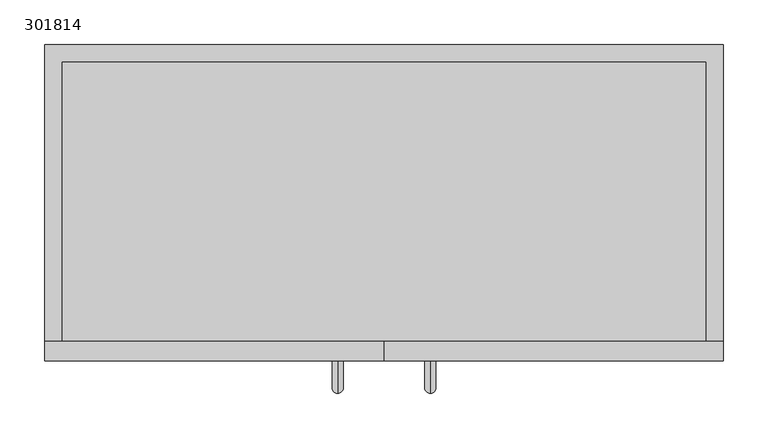
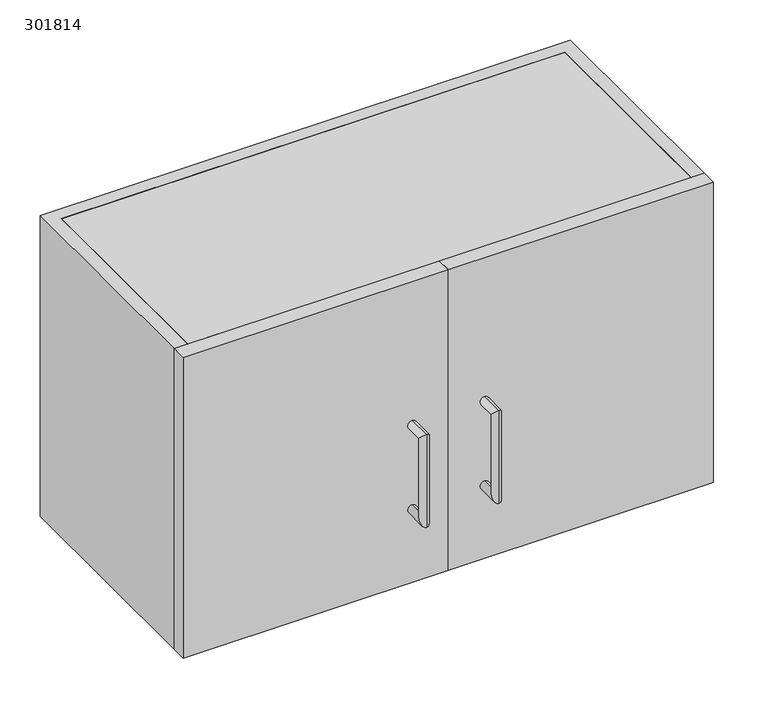
"""IFC4 building model written with IfcOpenShell, lengths in millimetres: furniture geometry, 301814."""

from ifc_helpers import new_model, si_unit, frame, origin, place, context, project, spatial, polyline, circle_curve, ellipse_curve, outline, extrude, source, transform, mapped, element, save
from ifc_brep_helpers import plane_surface, cylinder_surface, advanced_brep


def furniture_301814_840138c3(model_context):
    return source(origin(), model_context, "Body", "SolidModel", [
        extrude(outline(polyline([(381.0, -397.1), (381.0, -419.1), (0.0, -419.1), (0.0, -397.1), (381.0, -397.1)])), frame((0.0, 0.0, 1676.4), z_axis=(0.0, 0.0, 1.0), x_axis=(1.0, 0.0, 0.0)), (0.0, 0.0, 1.0), 457.2),
        extrude(outline(polyline([(0.0, -397.1), (0.0, -419.1), (-381.0, -419.1), (-381.0, -397.1), (0.0, -397.1)])), frame((0.0, 0.0, 1676.4), z_axis=(0.0, 0.0, 1.0), x_axis=(1.0, 0.0, 0.0)), (0.0, 0.0, 1.0), 457.2),
        extrude(outline(polyline([(361.8, -397.1), (361.8, -82.7), (-361.8, -82.7), (-361.8, -397.1), (-381.0, -397.1), (-381.0, -63.5), (381.0, -63.5), (381.0, -397.1), (361.8, -397.1)])), frame((0.0, 0.0, 1676.4), z_axis=(0.0, 0.0, 1.0), x_axis=(1.0, 0.0, 0.0)), (0.0, 0.0, 1.0), 457.2),
        advanced_brep(
        [(-52.0, -419.1, 1794.75), (-52.0, -419.1, 1782.05), (-52.0, -455.45, 1782.05), (-52.0, -442.75, 1794.75), (-52.0, -455.45, 1922.75), (-52.0, -442.75, 1910.05), (-52.0, -419.1, 1910.05), (-52.0, -419.1, 1922.75)],
        [
            (0, 1, circle_curve(frame((-52.0, -419.1, 1788.4), z_axis=(0.0, 1.0, 0.0), x_axis=(0.0, 0.0, -1.0)), 6.35)),
            (1, 0, circle_curve(frame((-52.0, -419.1, 1788.4), z_axis=(0.0, 1.0, 0.0), x_axis=(0.0, 0.0, -1.0)), 6.35)),
            (1, 2),
            (2, 3, ellipse_curve(frame((-52.0, -449.1, 1788.4), z_axis=(0.0, 0.7071067811865475, -0.7071067811865475), x_axis=(0.0, 0.7071067811865476, 0.7071067811865474)), 8.9802561, 6.35)),
            (3, 0),
            (3, 2, ellipse_curve(frame((-52.0, -449.1, 1788.4), z_axis=(0.0, 0.7071067811865475, -0.7071067811865475), x_axis=(0.0, 0.7071067811865476, 0.7071067811865474)), 8.9802561, 6.35)),
            (2, 4),
            (4, 5, ellipse_curve(frame((-52.0, -449.1, 1916.4), z_axis=(0.0, -0.7071067811865475, -0.7071067811865475), x_axis=(0.0, 0.7071067811865474, -0.7071067811865476)), 8.9802561, 6.35)),
            (5, 3),
            (5, 4, ellipse_curve(frame((-52.0, -449.1, 1916.4), z_axis=(0.0, -0.7071067811865475, -0.7071067811865475), x_axis=(0.0, 0.7071067811865474, -0.7071067811865476)), 8.9802561, 6.35)),
            (6, 7, circle_curve(frame((-52.0, -419.1, 1916.4), z_axis=(0.0, 1.0, 0.0), x_axis=(0.0, 0.0, 1.0)), 6.35)),
            (7, 6, circle_curve(frame((-52.0, -419.1, 1916.4), z_axis=(0.0, 1.0, 0.0), x_axis=(0.0, 0.0, 1.0)), 6.35)),
            (4, 7),
            (6, 5),
        ],
        [
            plane_surface(frame((-52.0, -419.1, 1788.4), z_axis=(0.0, 1.0, 0.0), x_axis=(-1.0, 0.0, 0.0))),
            cylinder_surface(frame((-52.0, -419.1, 1788.4), z_axis=(0.0, 1.0, 0.0), x_axis=(0.0, 0.0, -1.0)), 6.35),
            cylinder_surface(frame((-52.0, -449.1, 1788.4), z_axis=(0.0, 0.0, -1.0), x_axis=(0.0, -1.0, 0.0)), 6.35),
            plane_surface(frame((-52.0, -419.1, 1916.4), z_axis=(0.0, 1.0, 0.0), x_axis=(-1.0, 0.0, 0.0))),
            cylinder_surface(frame((-52.0, -449.1, 1916.4), z_axis=(0.0, -1.0, 0.0), x_axis=(0.0, 0.0, 1.0)), 6.35),
        ],
        [
            (0, [[1, 2]]),
            (1, [[3, 4, 5, -2]]),
            (1, [[-5, 6, -3, -1]]),
            (2, [[7, 8, 9, -4]]),
            (2, [[-9, 10, -7, -6]]),
            (3, [[11, 12]]),
            (4, [[13, -11, 14, -8]]),
            (4, [[-14, -12, -13, -10]]),
        ],
    ),
        advanced_brep(
        [(52.0, -419.1, 1794.75), (52.0, -419.1, 1782.05), (52.0, -455.45, 1782.05), (52.0, -442.75, 1794.75), (52.0, -455.45, 1922.75), (52.0, -442.75, 1910.05), (52.0, -419.1, 1910.05), (52.0, -419.1, 1922.75)],
        [
            (0, 1, circle_curve(frame((52.0, -419.1, 1788.4), z_axis=(0.0, 1.0, 0.0), x_axis=(0.0, 0.0, -1.0)), 6.35)),
            (1, 0, circle_curve(frame((52.0, -419.1, 1788.4), z_axis=(0.0, 1.0, 0.0), x_axis=(0.0, 0.0, -1.0)), 6.35)),
            (1, 2),
            (2, 3, ellipse_curve(frame((52.0, -449.1, 1788.4), z_axis=(0.0, 0.7071067811865475, -0.7071067811865475), x_axis=(0.0, 0.7071067811865476, 0.7071067811865474)), 8.9802561, 6.35)),
            (3, 0),
            (3, 2, ellipse_curve(frame((52.0, -449.1, 1788.4), z_axis=(0.0, 0.7071067811865475, -0.7071067811865475), x_axis=(0.0, 0.7071067811865476, 0.7071067811865474)), 8.9802561, 6.35)),
            (2, 4),
            (4, 5, ellipse_curve(frame((52.0, -449.1, 1916.4), z_axis=(0.0, -0.7071067811865475, -0.7071067811865475), x_axis=(0.0, 0.7071067811865474, -0.7071067811865476)), 8.9802561, 6.35)),
            (5, 3),
            (5, 4, ellipse_curve(frame((52.0, -449.1, 1916.4), z_axis=(0.0, -0.7071067811865475, -0.7071067811865475), x_axis=(0.0, 0.7071067811865474, -0.7071067811865476)), 8.9802561, 6.35)),
            (6, 7, circle_curve(frame((52.0, -419.1, 1916.4), z_axis=(0.0, 1.0, 0.0), x_axis=(0.0, 0.0, 1.0)), 6.35)),
            (7, 6, circle_curve(frame((52.0, -419.1, 1916.4), z_axis=(0.0, 1.0, 0.0), x_axis=(0.0, 0.0, 1.0)), 6.35)),
            (4, 7),
            (6, 5),
        ],
        [
            plane_surface(frame((52.0, -419.1, 1788.4), z_axis=(0.0, 1.0, 0.0), x_axis=(-1.0, 0.0, 0.0))),
            cylinder_surface(frame((52.0, -419.1, 1788.4), z_axis=(0.0, 1.0, 0.0), x_axis=(0.0, 0.0, -1.0)), 6.35),
            cylinder_surface(frame((52.0, -449.1, 1788.4), z_axis=(0.0, 0.0, -1.0), x_axis=(0.0, -1.0, 0.0)), 6.35),
            plane_surface(frame((52.0, -419.1, 1916.4), z_axis=(0.0, 1.0, 0.0), x_axis=(-1.0, 0.0, 0.0))),
            cylinder_surface(frame((52.0, -449.1, 1916.4), z_axis=(0.0, -1.0, 0.0), x_axis=(0.0, 0.0, 1.0)), 6.35),
        ],
        [
            (0, [[1, 2]]),
            (1, [[3, 4, 5, -2]]),
            (1, [[-5, 6, -3, -1]]),
            (2, [[7, 8, 9, -4]]),
            (2, [[-9, 10, -7, -6]]),
            (3, [[11, 12]]),
            (4, [[13, -11, 14, -8]]),
            (4, [[-14, -12, -13, -10]]),
        ],
    ),
        extrude(outline(polyline([(361.8, -397.1), (-361.8, -397.1), (-361.8, -82.7), (361.8, -82.7), (361.8, -397.1)])), frame((0.0, 0.0, 2111.6), z_axis=(0.0, 0.0, 1.0), x_axis=(1.0, 0.0, 0.0)), (0.0, 0.0, 1.0), 22.0),
        extrude(outline(polyline([(361.8, -397.1), (-361.8, -397.1), (-361.8, -82.7), (361.8, -82.7), (361.8, -397.1)])), frame((0.0, 0.0, 1676.4), z_axis=(0.0, 0.0, 1.0), x_axis=(1.0, 0.0, 0.0)), (0.0, 0.0, 1.0), 20.0),
    ])


if __name__ == "__main__":
    model = new_model("IFC4")
    model_context = context("Model", 3, world=origin())
    ifc_project = project(units=[si_unit("LENGTHUNIT", "METRE", prefix="MILLI")], contexts=[model_context])
    site = spatial("IfcSite", under=ifc_project)
    building = spatial("IfcBuilding", under=site)
    placement = place(None, origin())
    furniture_301814_shape = furniture_301814_840138c3(model_context)
    element("IfcFurniture", 1, ObjectType="301814", at=placement, inside=building, context=model_context, shape_type="MappedRepresentation", body=[
        mapped(furniture_301814_shape, transform((0.0, 0.0, 0.0), x_axis=(1.0, 0.0, 0.0), y_axis=(0.0, 1.0, 0.0), z_axis=(0.0, 0.0, 1.0))),
    ])
    save(model, "model.ifc")
